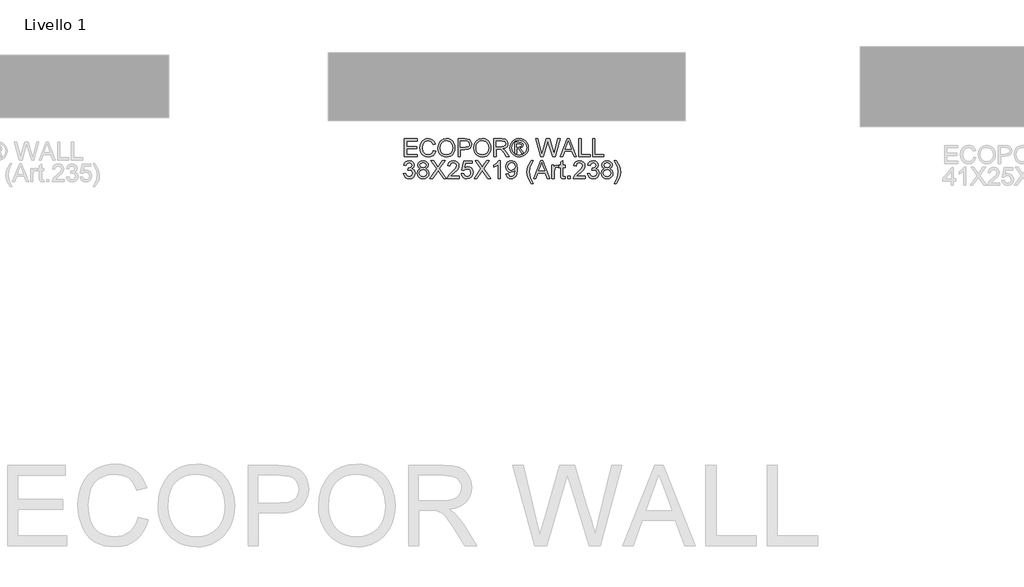
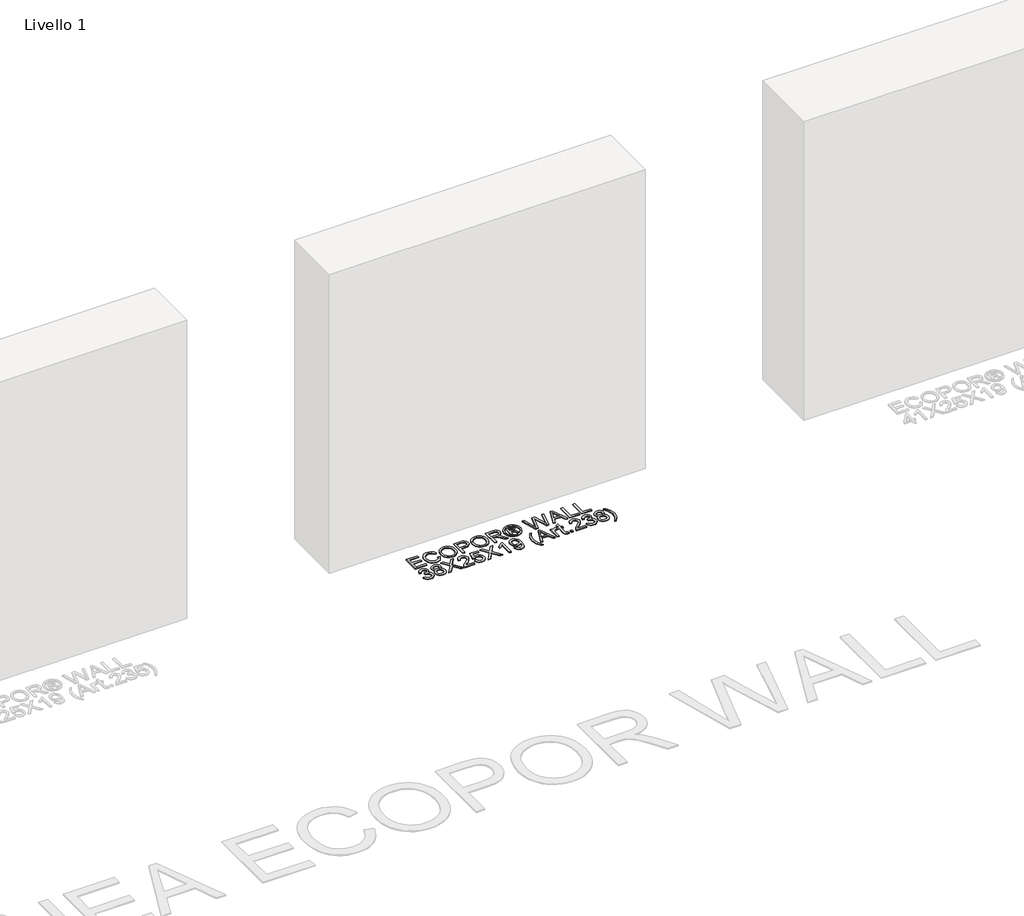
# One storey, part 3 of 4: 1 proxy.
"""IFC4 building model written with IfcOpenShell, lengths in millimetres."""

from ifc_helpers import new_model, si_unit, origin, origin_with_axes, place, context, project, spatial, polyline, outline, extrude, element, save

model = new_model("IFC4")

# Units and contexts
model_context = context("Model", 3, world=origin())
ifc_project = project(units=[si_unit("LENGTHUNIT", "METRE", prefix="MILLI")], contexts=[model_context])

# Site, building, storey
site = spatial("IfcSite", under=ifc_project)
building = spatial("IfcBuilding", under=site)
storey = spatial("IfcBuildingStorey", under=building, Name="Livello 1", Elevation=0.0)

# Proxy
placement = place(None, origin())
element("IfcBuildingElementProxy", 1, Name="100", ObjectType="100", at=placement, inside=storey, context=model_context, shape_type="SweptSolid", body=[
    extrude(outline(polyline([(1063.8662499, 220.129267), (1063.8662499, 320.5855772), (1136.0692228, 320.5855772), (1136.0692228, 308.0285384), (1076.4232886, 308.0285384), (1076.4232886, 278.2055714), (1132.9299631, 278.2055714), (1132.9299631, 265.6485326), (1076.4232886, 265.6485326), (1076.4232886, 232.6863058), (1137.6388526, 232.6863058), (1137.6388526, 220.129267), (1063.8662499, 220.129267)])), origin_with_axes(), (0.0, 0.0, 1.0), 5.0),
    extrude(outline(polyline([(1227.1077539, 255.838346), (1239.6647926, 252.6009845), (1233.8706512, 237.9684781), (1224.7778346, 227.2784405), (1212.8339325, 220.739338), (1198.4865346, 218.5596372), (1183.9214733, 220.2089748), (1172.3546502, 225.1569876), (1163.4886942, 233.2319974), (1157.0262338, 244.2623259), (1151.7655213, 271.1177116), (1153.2523776, 285.7655464), (1157.7129468, 298.4145556), (1164.9142369, 308.6631349), (1174.6232559, 316.1096796), (1186.1379623, 320.6438252), (1198.7563148, 322.155207), (1212.5242984, 320.1993011), (1223.9071805, 314.3315833), (1232.5493417, 304.9138042), (1238.0951628, 292.3077145), (1225.538124, 289.3156076), (1215.2374282, 304.7543887), (1198.2658054, 309.5981683), (1178.6209069, 304.2270911), (1167.5231334, 289.8061169), (1164.32256, 271.142237), (1168.1117446, 249.5107757), (1179.9084939, 235.6906754), (1197.2357359, 231.116676), (1207.717307, 232.6740431), (1216.4514387, 237.3461444), (1223.0457235, 245.0839291), (1227.1077539, 255.838346)])), origin_with_axes(), (0.0, 0.0, 1.0), 5.0),
    extrude(outline(polyline([(1252.2218314, 269.0330469), (1255.5695576, 291.2469881), (1265.612736, 308.0530639), (1280.9472839, 318.6296713), (1300.1691181, 322.155207), (1313.3454249, 320.4997381), (1325.1605683, 315.5333311), (1334.9707548, 307.6054741), (1342.132191, 297.065655), (1346.5099868, 284.4227771), (1347.969252, 270.1857439), (1346.4333447, 255.7586383), (1341.8256227, 242.9379507), (1334.4005378, 232.3797375), (1324.4125416, 224.7400547), (1312.6985657, 220.1047416), (1300.0955417, 218.5596372), (1286.7168998, 220.2672228), (1274.8343114, 225.3899796), (1265.0486503, 233.4649894), (1257.9607905, 244.029334), (1252.2218314, 269.0330469)]), holes=[polyline([(1264.7788702, 268.9104196), (1267.2896648, 253.195727), (1274.8220486, 241.2211681), (1286.143617, 233.642799), (1300.0219653, 231.116676), (1314.1026487, 233.6673245), (1325.4426112, 241.31927), (1332.9198127, 253.6617109), (1335.4122132, 270.2838457), (1331.1447821, 291.0078648), (1318.6735825, 304.7298632), (1300.2426945, 309.5981683), (1286.7352939, 307.2529206), (1275.2512443, 300.2171774), (1267.3969637, 287.6999925), (1264.7788702, 268.9104196)])]), origin_with_axes(), (0.0, 0.0, 1.0), 5.0),
    extrude(outline(polyline([(1365.2351803, 220.129267), (1365.2351803, 320.5855772), (1402.4648382, 320.5855772), (1417.4744236, 319.629084), (1429.6758431, 314.9324572), (1437.585306, 305.2203725), (1440.5774129, 291.5228996), (1438.5571276, 279.6832307), (1432.4962718, 269.8178619), (1421.1624406, 263.1591978), (1403.3232296, 260.939643), (1377.7922191, 260.939643), (1377.7922191, 220.129267), (1365.2351803, 220.129267)]), holes=[polyline([(1377.7922191, 273.4966818), (1404.0589935, 273.4966818), (1422.5511952, 278.1074695), (1426.6530794, 283.6563562), (1428.0203742, 291.0814412), (1424.7952753, 301.4802389), (1416.3217267, 307.1701471), (1403.7646879, 308.0285384), (1377.7922191, 308.0285384), (1377.7922191, 273.4966818)])]), origin_with_axes(), (0.0, 0.0, 1.0), 5.0),
    extrude(outline(polyline([(1453.1344517, 269.0330469), (1456.4821779, 291.2469881), (1466.5253563, 308.0530639), (1481.8599042, 318.6296713), (1501.0817384, 322.155207), (1514.2580452, 320.4997381), (1526.0731886, 315.5333311), (1535.8833751, 307.6054741), (1543.0448113, 297.065655), (1547.4226071, 284.4227771), (1548.8818723, 270.1857439), (1547.345965, 255.7586383), (1542.738243, 242.9379507), (1535.3131581, 232.3797375), (1525.3251619, 224.7400547), (1513.611186, 220.1047416), (1501.008162, 218.5596372), (1487.6295201, 220.2672228), (1475.7469317, 225.3899796), (1465.9612706, 233.4649894), (1458.8734108, 244.029334), (1453.1344517, 269.0330469)]), holes=[polyline([(1465.6914905, 268.9104196), (1468.2022851, 253.195727), (1475.7346689, 241.2211681), (1487.0562373, 233.642799), (1500.9345856, 231.116676), (1515.015269, 233.6673245), (1526.3552315, 241.31927), (1533.832433, 253.6617109), (1536.3248335, 270.2838457), (1532.0574024, 291.0078648), (1519.5862028, 304.7298632), (1501.1553148, 309.5981683), (1487.6479142, 307.2529206), (1476.1638646, 300.2171774), (1468.309584, 287.6999925), (1465.6914905, 268.9104196)])]), origin_with_axes(), (0.0, 0.0, 1.0), 5.0),
    extrude(outline(polyline([(1566.1478006, 220.129267), (1566.1478006, 320.5855772), (1609.4352487, 320.5855772), (1629.5338684, 317.8755132), (1640.5212773, 308.2860558), (1644.6292929, 293.0925294), (1642.9278387, 283.1965038), (1637.823476, 274.9927353), (1629.1629207, 268.9778646), (1616.7928886, 265.6485326), (1623.9297993, 260.2774555), (1634.1078679, 247.3525347), (1650.8587614, 220.129267), (1636.2661089, 220.129267), (1623.1940353, 240.951388), (1613.7517308, 254.7347001), (1607.1175921, 261.2462114), (1601.1456411, 263.6374443), (1593.8615776, 264.0789027), (1578.7048394, 264.0789027), (1578.7048394, 220.129267), (1566.1478006, 220.129267)]), holes=[polyline([(1578.7048394, 276.6359415), (1606.8110238, 276.6359415), (1621.1461589, 278.4140378), (1629.2886137, 284.103946), (1632.0722542, 292.6265456), (1626.7624907, 303.6875309), (1609.974809, 308.0285384), (1578.7048394, 308.0285384), (1578.7048394, 276.6359415)])]), origin_with_axes(), (0.0, 0.0, 1.0), 5.0),
    extrude(outline(polyline([(1707.4390122, 322.155207), (1720.3332762, 320.481344), (1732.9209718, 315.4597547), (1743.9788914, 307.3234313), (1752.2838274, 296.3053655), (1757.4801606, 283.5827798), (1759.2122717, 270.3328967), (1757.5046861, 257.1995094), (1752.3819293, 244.581157), (1744.1781608, 233.6029451), (1733.2275401, 225.3899796), (1720.6183847, 220.2672228), (1707.4390122, 218.5596372), (1694.2780339, 220.2672228), (1681.6750098, 225.3899796), (1670.7151921, 233.6029451), (1662.4838324, 244.581157), (1657.3334845, 257.1995094), (1655.6167018, 270.3328967), (1657.35801, 283.5827798), (1662.5819343, 296.3053655), (1670.9144615, 307.3234313), (1681.9815782, 315.4597547), (1694.5631424, 320.481344), (1707.4390122, 322.155207)]), holes=[polyline([(1707.4390122, 312.737428), (1686.6168913, 307.2559862), (1677.588454, 300.5942564), (1670.7611773, 291.5719505), (1665.0344809, 270.3328967), (1670.6508127, 249.2777838), (1686.3716366, 233.5937481), (1707.4390122, 227.9774163), (1728.5186506, 233.5937481), (1744.2026863, 249.2777838), (1749.7944926, 270.3328967), (1744.1045844, 291.5719505), (1737.2957018, 300.5942564), (1728.2488704, 307.2559862), (1707.4390122, 312.737428)])]), origin_with_axes(), (0.0, 0.0, 1.0), 5.0),
    extrude(outline(polyline([(1683.8700391, 238.9648252), (1683.8700391, 301.750019), (1704.1525997, 301.750019), (1719.2112361, 300.0209737), (1726.6301896, 293.9877089), (1729.3893046, 284.8274473), (1724.6313641, 272.9080706), (1712.0252744, 267.2181624), (1716.9303677, 263.882699), (1725.4897555, 251.3501857), (1732.5285643, 238.9648252), (1721.9335628, 238.9648252), (1716.4153329, 248.9221645), (1707.1692321, 263.3431387), (1699.1494046, 265.6485326), (1693.2878182, 265.6485326), (1693.2878182, 238.9648252), (1683.8700391, 238.9648252)]), holes=[polyline([(1693.2878182, 275.0663117), (1705.2071948, 275.0663117), (1716.8567913, 277.4575446), (1719.9715255, 283.7973777), (1718.4754721, 288.3591144), (1714.3184055, 291.3512213), (1704.4469053, 292.33224), (1693.2878182, 292.33224), (1693.2878182, 275.0663117)])]), origin_with_axes(), (0.0, 0.0, 1.0), 5.0),
    extrude(outline(polyline([(1827.4175936, 220.129267), (1800.0226477, 320.5855772), (1812.9720939, 320.5855772), (1828.8645961, 254.5630218), (1833.7696894, 234.1823593), (1839.0181392, 252.208577), (1858.9328178, 320.5855772), (1877.5966977, 320.5855772), (1892.0667229, 271.0196097), (1902.8334026, 234.1823593), (1907.5913431, 253.9744106), (1923.6309981, 320.5855772), (1936.5804443, 320.5855772), (1909.1609729, 220.129267), (1895.7455428, 220.129267), (1871.6615349, 297.6297407), (1868.301546, 308.4454714), (1864.5246242, 295.4224487), (1842.5743318, 220.129267), (1827.4175936, 220.129267)])), origin_with_axes(), (0.0, 0.0, 1.0), 5.0),
    extrude(outline(polyline([(1937.4388356, 220.129267), (1977.5379731, 320.5855772), (1988.2310764, 320.5855772), (2028.3302139, 220.129267), (2015.0619366, 220.129267), (2003.5594929, 251.521864), (1962.1850312, 251.521864), (1950.7071129, 220.129267), (1937.4388356, 220.129267)]), holes=[polyline([(1966.7958188, 264.0789027), (1998.9732307, 264.0789027), (1989.9233336, 288.7760473), (1982.8845248, 308.0285384), (1976.6305308, 290.9342884), (1966.7958188, 264.0789027)])]), origin_with_axes(), (0.0, 0.0, 1.0), 5.0),
    extrude(outline(polyline([(2041.745644, 220.129267), (2041.745644, 320.5855772), (2054.3026828, 320.5855772), (2054.3026828, 232.6863058), (2104.5308378, 232.6863058), (2104.5308378, 220.129267), (2041.745644, 220.129267)])), origin_with_axes(), (0.0, 0.0, 1.0), 5.0),
    extrude(outline(polyline([(2118.6575064, 220.129267), (2118.6575064, 320.5855772), (2131.2145452, 320.5855772), (2131.2145452, 232.6863058), (2181.4427003, 232.6863058), (2181.4427003, 220.129267), (2118.6575064, 220.129267)])), origin_with_axes(), (0.0, 0.0, 1.0), 5.0),
    extrude(outline(polyline([(1059.1573603, 124.8381566), (1071.7143991, 126.4077864), (1078.6428433, 113.1885601), (1091.6045523, 109.1418581), (1100.212991, 110.5336783), (1106.8593924, 114.709139), (1112.5247751, 128.4924511), (1106.9084433, 141.4786855), (1092.6346219, 146.6167707), (1083.8299795, 145.2433446), (1085.2279311, 157.8003834), (1087.2390193, 157.6532306), (1101.4883152, 161.2584741), (1106.233993, 165.8324736), (1107.8158856, 172.3439849), (1103.2296234, 182.1664342), (1091.4083486, 186.0537206), (1079.439921, 182.129646), (1073.2840289, 170.3574221), (1060.7269902, 171.927052), (1064.4242042, 183.2026351), (1071.0031606, 191.6210014), (1080.0040067, 196.8633199), (1090.9668902, 198.6107594), (1106.1113657, 195.1649313), (1116.7063671, 185.7471523), (1120.3729243, 173.0797489), (1116.8903081, 161.5037288), (1106.5896122, 153.1895957), (1120.2748225, 144.6056825), (1125.0818139, 128.2717219), (1122.6783182, 116.0335142), (1115.4678311, 105.8063947), (1104.5846554, 98.8902132), (1091.1630939, 96.5848194), (1079.0229881, 98.552988), (1069.1392251, 104.4574941), (1062.2659632, 113.488997), (1059.1573603, 124.8381566)])), origin_with_axes(), (0.0, 0.0, 1.0), 5.0),
    extrude(outline(polyline([(1154.3652207, 153.4839013), (1142.9240906, 161.2829996), (1139.2084825, 173.4231054), (1141.2318335, 183.2394233), (1147.3018864, 191.3512213), (1156.7380596, 196.7958748), (1168.8597713, 198.6107594), (1181.0550594, 196.7529553), (1190.6138599, 191.179543), (1196.7942775, 182.9389864), (1198.8544166, 173.0797489), (1195.1878594, 161.2462114), (1184.0655604, 153.4839013), (1197.4196769, 143.6369265), (1201.9936763, 127.3888051), (1199.7250707, 115.3835893), (1192.9192538, 105.4630382), (1182.4100915, 98.8043741), (1169.0314496, 96.5848194), (1155.6528077, 98.8135711), (1145.1436453, 105.4998264), (1138.3378284, 115.5154137), (1136.0692228, 127.7321616), (1140.8271633, 144.3604278), (1154.3652207, 153.4839013)]), holes=[polyline([(1151.7655213, 173.0552234), (1156.2168934, 163.195986), (1169.1786024, 159.3700132), (1181.8827939, 163.1714605), (1186.2973779, 172.4911377), (1181.7356411, 182.1419087), (1169.0314496, 186.0537206), (1156.2904698, 182.2277478), (1151.7655213, 173.0552234)]), polyline([(1148.6262616, 128.17362), (1150.7231889, 118.7190527), (1158.1421425, 111.6434557), (1169.1295514, 109.1418581), (1177.6766764, 110.4570363), (1184.0900859, 114.4025707), (1189.4366376, 127.7812125), (1183.9184076, 141.4173718), (1177.3578454, 145.4640738), (1168.7126185, 146.8129744), (1160.2850551, 145.4824679), (1153.936025, 141.4909482), (1148.6262616, 128.17362)])]), origin_with_axes(), (0.0, 0.0, 1.0), 5.0),
    extrude(outline(polyline([(1206.7025659, 98.1544492), (1245.4282772, 152.8952901), (1212.9810852, 198.6107594), (1228.0397216, 198.6107594), (1246.311194, 172.8835452), (1252.4670861, 162.8526294), (1259.6775732, 173.0552234), (1277.7528419, 198.6107594), (1293.0322074, 198.6107594), (1260.5850154, 152.7481373), (1299.3107268, 98.1544492), (1284.2520904, 98.1544492), (1258.4512999, 134.5502413), (1253.0802227, 142.1040849), (1247.1695853, 133.8144773), (1221.9819314, 98.1544492), (1206.7025659, 98.1544492)])), origin_with_axes(), (0.0, 0.0, 1.0), 5.0),
    extrude(outline(polyline([(1371.5136997, 110.711488), (1371.5136997, 98.1544492), (1305.5892462, 98.1544492), (1306.9381468, 106.8119388), (1314.5655669, 120.1415298), (1330.2863908, 134.6973941), (1351.966903, 155.6176168), (1357.3870311, 169.8423873), (1352.2734714, 181.3570938), (1338.9193549, 186.0537206), (1325.0011528, 181.4674584), (1319.7159148, 168.7877923), (1307.158876, 170.3574221), (1310.2030995, 182.5036593), (1316.7851216, 191.3757468), (1326.5615856, 196.8020062), (1339.1891351, 198.6107594), (1351.908655, 196.5996711), (1361.666725, 190.5664064), (1367.8747336, 181.5532975), (1369.9440699, 170.6026768), (1367.7122524, 158.6955629), (1360.2932989, 146.3837788), (1342.3038693, 129.1791641), (1327.8583696, 117.100372), (1322.1929869, 110.711488), (1371.5136997, 110.711488)])), origin_with_axes(), (0.0, 0.0, 1.0), 5.0),
    extrude(outline(polyline([(1384.0707385, 124.8381566), (1396.6277772, 126.4077864), (1402.9553476, 113.4706029), (1416.0764721, 109.1418581), (1425.0773182, 110.6471086), (1431.8218214, 115.1628601), (1436.0340703, 122.1679464), (1437.4381532, 131.1412014), (1432.1774407, 146.052685), (1425.5708932, 150.1545692), (1416.2726758, 151.521864), (1405.2484787, 149.3390975), (1398.1974071, 143.6737147), (1385.6403683, 145.2433446), (1396.6277772, 197.0411295), (1445.2863025, 197.0411295), (1445.2863025, 184.4840907), (1406.7813203, 184.4840907), (1401.4102432, 156.8193647), (1410.3804325, 162.2640182), (1419.7798175, 164.0789027), (1431.5121874, 161.8286912), (1441.2518633, 155.0780566), (1447.8093598, 144.7896235), (1449.995192, 131.9260164), (1448.0270233, 119.3689776), (1442.1225173, 108.6268233), (1430.8162773, 99.5953204), (1416.0274211, 96.5848194), (1403.6941772, 98.5192655), (1393.8686623, 104.322604), (1387.1333561, 113.3203845), (1384.0707385, 124.8381566)])), origin_with_axes(), (0.0, 0.0, 1.0), 5.0),
    extrude(outline(polyline([(1454.7040815, 98.1544492), (1493.4297929, 152.8952901), (1460.9826009, 198.6107594), (1476.0412373, 198.6107594), (1494.3127097, 172.8835452), (1500.4686017, 162.8526294), (1507.6790889, 173.0552234), (1525.7543575, 198.6107594), (1541.0337231, 198.6107594), (1508.5865311, 152.7481373), (1547.3122425, 98.1544492), (1532.2536061, 98.1544492), (1506.4528155, 134.5502413), (1501.0817384, 142.1040849), (1495.171101, 133.8144773), (1469.9834471, 98.1544492), (1454.7040815, 98.1544492)])), origin_with_axes(), (0.0, 0.0, 1.0), 5.0),
    extrude(outline(polyline([(1602.2492871, 98.1544492), (1589.6922483, 98.1544492), (1589.6922483, 176.4397378), (1577.7973971, 167.9661892), (1564.5781708, 161.6263561), (1564.5781708, 173.4966818), (1582.9845333, 185.2443802), (1594.1558832, 198.6107594), (1602.2492871, 198.6107594), (1602.2492871, 98.1544492)])), origin_with_axes(), (0.0, 0.0, 1.0), 5.0),
    extrude(outline(polyline([(1633.641884, 123.2685267), (1646.1989228, 124.8381566), (1651.83978, 112.8574663), (1662.5328834, 109.1418581), (1672.6986892, 111.5330911), (1679.5903452, 117.9219751), (1683.6983608, 128.8358076), (1685.5132453, 143.4039346), (1685.4396689, 145.8564812), (1675.3964905, 136.3406003), (1661.6254411, 132.6863058), (1650.175114, 134.9181233), (1640.6439046, 141.6135756), (1634.2151668, 151.957191), (1632.0722542, 165.1334978), (1634.3194, 178.7451316), (1641.0608376, 189.4137095), (1651.1867895, 196.3114969), (1663.5874784, 198.6107594), (1681.4788061, 193.3623096), (1693.7905902, 178.4017751), (1697.9967077, 150.2955907), (1693.8028529, 119.7981733), (1688.5881257, 109.8071114), (1681.3316533, 102.5199822), (1672.3461356, 98.0686101), (1661.9442722, 96.5848194), (1651.2082493, 98.3353245), (1642.6427301, 103.58684), (1636.652385, 112.008272), (1633.641884, 123.2685267)]), holes=[polyline([(1685.4396689, 165.4278034), (1684.0846369, 173.9381402), (1680.0195409, 180.4864397), (1673.7103646, 184.6619004), (1665.6230921, 186.0537206), (1657.2353826, 184.5546015), (1650.5154048, 180.0572441), (1646.1008209, 173.1747851), (1644.6292929, 164.5203611), (1646.0211131, 156.7611167), (1650.1965738, 150.602159), (1656.7510047, 146.5830482), (1665.2797356, 145.2433446), (1679.7620235, 150.602159), (1684.0202576, 156.9879773), (1685.4396689, 165.4278034)])]), origin_with_axes(), (0.0, 0.0, 1.0), 5.0),
    extrude(outline(polyline([(1776.4782, 69.901112), (1758.648186, 99.3561971), (1753.1851383, 116.5362862), (1751.3641225, 134.3295121), (1756.808776, 164.8637177), (1776.4782, 198.6107594), (1785.8959791, 198.6107594), (1774.1482807, 178.7206061), (1767.0849464, 159.4435896), (1763.9211612, 134.2559357), (1769.4148657, 102.0662611), (1785.8959791, 69.901112), (1776.4782, 69.901112)])), origin_with_axes(), (0.0, 0.0, 1.0), 5.0),
    extrude(outline(polyline([(1788.3240002, 98.1544492), (1828.4231377, 198.6107594), (1839.116241, 198.6107594), (1879.2153785, 98.1544492), (1865.9471012, 98.1544492), (1854.4446575, 129.5470461), (1813.0701958, 129.5470461), (1801.5922775, 98.1544492), (1788.3240002, 98.1544492)]), holes=[polyline([(1817.6809835, 142.1040849), (1849.8583953, 142.1040849), (1840.8084982, 166.8012295), (1833.7696894, 186.0537206), (1827.5156955, 168.9594705), (1817.6809835, 142.1040849)])]), origin_with_axes(), (0.0, 0.0, 1.0), 5.0),
    extrude(outline(polyline([(1891.0611788, 98.1544492), (1891.0611788, 171.927052), (1902.0485877, 171.927052), (1902.0485877, 161.0132194), (1909.847686, 171.0686606), (1917.6958352, 173.4966818), (1930.3019249, 169.6216581), (1926.1080702, 158.3644691), (1917.2789023, 160.939643), (1910.1787798, 158.4625709), (1905.6538312, 151.5954404), (1903.6182175, 136.9292115), (1903.6182175, 98.1544492), (1891.0611788, 98.1544492)])), origin_with_axes(), (0.0, 0.0, 1.0), 5.0),
    extrude(outline(polyline([(1964.8337815, 108.6268233), (1966.4034114, 97.7865672), (1957.0101578, 96.5848194), (1946.4887327, 98.669484), (1941.2402829, 104.138663), (1939.719704, 118.3879589), (1939.719704, 159.3700132), (1930.3019249, 159.3700132), (1930.3019249, 171.927052), (1939.719704, 171.927052), (1939.719704, 189.8551679), (1952.2767428, 197.2373332), (1952.2767428, 171.927052), (1964.8337815, 171.927052), (1964.8337815, 159.3700132), (1952.2767428, 159.3700132), (1952.2767428, 118.7558409), (1952.9389303, 112.2811178), (1955.0849087, 109.9879867), (1959.3646025, 109.1418581), (1964.8337815, 108.6268233)])), origin_with_axes(), (0.0, 0.0, 1.0), 5.0),
    extrude(outline(polyline([(1980.53008, 98.1544492), (1980.53008, 110.711488), (1993.0871188, 110.711488), (1993.0871188, 98.1544492), (1980.53008, 98.1544492)])), origin_with_axes(), (0.0, 0.0, 1.0), 5.0),
    extrude(outline(polyline([(2077.8471304, 110.711488), (2077.8471304, 98.1544492), (2011.9226769, 98.1544492), (2013.2715776, 106.8119388), (2020.8989976, 120.1415298), (2036.6198215, 134.6973941), (2058.3003338, 155.6176168), (2063.7204618, 169.8423873), (2058.6069021, 181.3570938), (2045.2527857, 186.0537206), (2031.3345835, 181.4674584), (2026.0493455, 168.7877923), (2013.4923068, 170.3574221), (2016.5365303, 182.5036593), (2023.1185523, 191.3757468), (2032.8950163, 196.8020062), (2045.5225658, 198.6107594), (2058.2420858, 196.5996711), (2068.0001557, 190.5664064), (2074.2081644, 181.5532975), (2076.2775006, 170.6026768), (2074.0456832, 158.6955629), (2066.6267296, 146.3837788), (2048.6373, 129.1791641), (2034.1918003, 117.100372), (2028.5264176, 110.711488), (2077.8471304, 110.711488)])), origin_with_axes(), (0.0, 0.0, 1.0), 5.0),
    extrude(outline(polyline([(2090.4041692, 124.8381566), (2102.961208, 126.4077864), (2109.8896522, 113.1885601), (2122.8513612, 109.1418581), (2131.4597999, 110.5336783), (2138.1062013, 114.709139), (2143.771584, 128.4924511), (2138.1552522, 141.4786855), (2123.8814308, 146.6167707), (2115.0767884, 145.2433446), (2116.4747399, 157.8003834), (2118.4858282, 157.6532306), (2132.7351241, 161.2584741), (2137.4808019, 165.8324736), (2139.0626944, 172.3439849), (2134.4764322, 182.1664342), (2122.6551575, 186.0537206), (2110.6867299, 182.129646), (2104.5308378, 170.3574221), (2091.9737991, 171.927052), (2095.6710131, 183.2026351), (2102.2499695, 191.6210014), (2111.2508156, 196.8633199), (2122.2136991, 198.6107594), (2137.3581745, 195.1649313), (2147.953176, 185.7471523), (2151.6197332, 173.0797489), (2148.137117, 161.5037288), (2137.8364211, 153.1895957), (2151.5216313, 144.6056825), (2156.3286227, 128.2717219), (2153.925127, 116.0335142), (2146.7146399, 105.8063947), (2135.8314643, 98.8902132), (2122.4099028, 96.5848194), (2110.269797, 98.552988), (2100.386034, 104.4574941), (2093.5127721, 113.488997), (2090.4041692, 124.8381566)])), origin_with_axes(), (0.0, 0.0, 1.0), 5.0),
    extrude(outline(polyline([(2185.6120296, 153.4839013), (2174.1708995, 161.2829996), (2170.4552914, 173.4231054), (2172.4786423, 183.2394233), (2178.5486953, 191.3512213), (2187.9848684, 196.7958748), (2200.1065802, 198.6107594), (2212.3018683, 196.7529553), (2221.8606688, 191.179543), (2228.0410863, 182.9389864), (2230.1012255, 173.0797489), (2226.4346683, 161.2462114), (2215.3123693, 153.4839013), (2228.6664857, 143.6369265), (2233.2404852, 127.3888051), (2230.9718796, 115.3835893), (2224.1660627, 105.4630382), (2213.6569003, 98.8043741), (2200.2782584, 96.5848194), (2186.8996165, 98.8135711), (2176.3904542, 105.4998264), (2169.5846373, 115.5154137), (2167.3160317, 127.7321616), (2172.0739721, 144.3604278), (2185.6120296, 153.4839013)]), holes=[polyline([(2183.0123301, 173.0552234), (2187.4637023, 163.195986), (2200.4254112, 159.3700132), (2213.1296028, 163.1714605), (2217.5441867, 172.4911377), (2212.98245, 182.1419087), (2200.2782584, 186.0537206), (2187.5372787, 182.2277478), (2183.0123301, 173.0552234)]), polyline([(2179.8730704, 128.17362), (2181.9699978, 118.7190527), (2189.3889514, 111.6434557), (2200.3763603, 109.1418581), (2208.9234853, 110.4570363), (2215.3368948, 114.4025707), (2220.6834464, 127.7812125), (2215.1652165, 141.4173718), (2208.6046543, 145.4640738), (2199.9594274, 146.8129744), (2191.531864, 145.4824679), (2185.1828339, 141.4909482), (2179.8730704, 128.17362)])]), origin_with_axes(), (0.0, 0.0, 1.0), 5.0),
    extrude(outline(polyline([(2250.5064135, 69.901112), (2241.0886344, 69.901112), (2257.5697478, 102.0662611), (2263.0634523, 134.2559357), (2259.8996671, 159.2228604), (2252.9099092, 178.5244024), (2241.0886344, 198.6107594), (2250.5064135, 198.6107594), (2270.1758375, 164.8637177), (2275.6204911, 134.3295121), (2273.7902781, 116.5362862), (2268.2996393, 99.3561971), (2250.5064135, 69.901112)])), origin_with_axes(), (0.0, 0.0, 1.0), 5.0),
])

save(model, "model.ifc")
